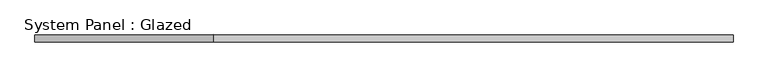
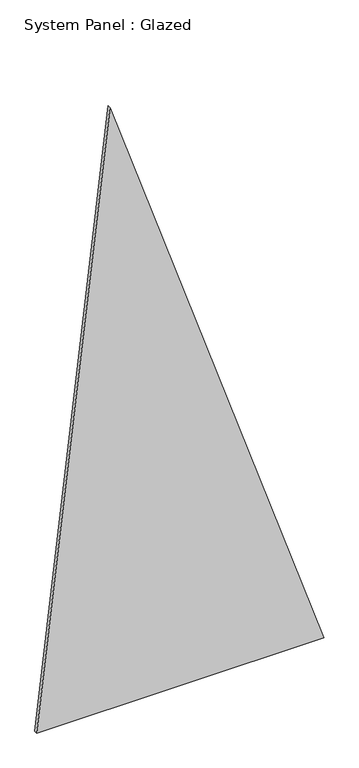
"""IFC4 building model written with IfcOpenShell, lengths in millimetres: plate geometry, System Panel : Glazed."""

import ifcopenshell
import ifcopenshell.guid

model = None  # the IFC model being written
_history = None  # IfcOwnerHistory: only IFC2X3 demands one
_inside = {}  # id of a spatial element -> (the spatial element, [elements in it])
_under = {}  # id of a project, library or spatial element -> (it, [spatial elements below it])
_declared = {}  # id of a project -> (the project, [libraries it declares])
_typed = {}  # id of a type object -> (the type object, [elements of that type])
_made_of = {}  # id of a material, layer set ... -> (it, [elements and type objects made of it])


def new_model(schema):
    """Start an empty IFC model of exactly this schema.

    Asked for "IFC4X3", IfcOpenShell would pick the latest addendum, in which some entities
    have other attributes; the version numbers below select the first issue.
    IFC2X3 requires an IfcOwnerHistory on every rooted entity: one is made here for all.
    """
    global model, _history
    if schema == "IFC4X3":
        model = ifcopenshell.file(schema_version=(4, 3, 0, 0))
    else:
        model = ifcopenshell.file(schema=schema)
    _inside.clear()
    _under.clear()
    _declared.clear()
    _typed.clear()
    _made_of.clear()
    _history = None
    if model.schema == "IFC2X3":
        org = make("IfcOrganization", Name="unknown")
        user = make(
            "IfcPersonAndOrganization",
            ThePerson=make("IfcPerson", FamilyName="unknown"),
            TheOrganization=org,
        )
        app = make(
            "IfcApplication",
            ApplicationDeveloper=org,
            Version="unknown",
            ApplicationFullName="unknown",
            ApplicationIdentifier="unknown",
        )
        _history = make(
            "IfcOwnerHistory",
            OwningUser=user,
            OwningApplication=app,
            ChangeAction="ADDED",
            CreationDate=0,
        )
    return model


def make(cls, **values):
    """One entity of the class cls with the attributes given. An attribute that is None is left unset."""
    return model.create_entity(
        cls, **{name: value for name, value in values.items() if value is not None}
    )


def rooted(cls, **values):
    """An entity with a GlobalId (a new one), such as an element, a storey or a relation."""
    return make(cls, GlobalId=ifcopenshell.guid.new(), OwnerHistory=_history, **values)


def si_unit(unit_type, name, prefix=None):
    """IfcSIUnit, for example si_unit("LENGTHUNIT", "METRE", prefix="MILLI")."""
    return make("IfcSIUnit", UnitType=unit_type, Prefix=prefix, Name=name)


def assignment(units):
    """IfcUnitAssignment: the units of a project."""
    return None if units is None else make("IfcUnitAssignment", Units=units)


def point(xyz):
    """IfcCartesianPoint."""
    return None if xyz is None else make("IfcCartesianPoint", Coordinates=xyz)


def direction(xyz):
    """IfcDirection."""
    return None if xyz is None else make("IfcDirection", DirectionRatios=xyz)


def frame(location, z_axis=None, x_axis=None):
    """IfcAxis2Placement3D, a coordinate frame: its origin and axes. An axis left out is left unset."""
    return make(
        "IfcAxis2Placement3D",
        Location=point(location),
        Axis=direction(z_axis),
        RefDirection=direction(x_axis),
    )


def origin():
    """The frame at (0, 0, 0) with its axes left unset."""
    return frame((0.0, 0.0, 0.0))


def place(relative_to, where):
    """IfcLocalPlacement: puts the frame where relative to a parent placement (None: the world)."""
    return make(
        "IfcLocalPlacement", PlacementRelTo=relative_to, RelativePlacement=where
    )


def context(
    kind, dimensions, precision=None, world=None, true_north=None, identifier=None
):
    """IfcGeometricRepresentationContext, for example the 3D "Model" context."""
    return make(
        "IfcGeometricRepresentationContext",
        ContextIdentifier=identifier,
        ContextType=kind,
        CoordinateSpaceDimension=dimensions,
        Precision=precision,
        WorldCoordinateSystem=world,
        TrueNorth=true_north,
    )


def project(units=None, contexts=None):
    """IfcProject with its units and contexts."""
    return rooted(
        "IfcProject",
        Name="project",
        RepresentationContexts=contexts,
        UnitsInContext=assignment(units),
    )


def spatial(cls, under=None, at=None, **own):
    """A site, building, storey or space (cls), placed at a placement, below another one or the project."""
    s = rooted(cls, ObjectPlacement=at, **own)
    if under is not None:
        _under.setdefault(under.id(), (under, []))[1].append(s)
    return s


def polyline(points):
    """IfcPolyline through the points."""
    return make("IfcPolyline", Points=[point(p) for p in points])


def outline(outer, holes=None, kind="AREA"):
    """IfcArbitraryClosedProfileDef: a profile drawn as a closed curve; with holes, ...WithVoids."""
    if holes is None:
        return make("IfcArbitraryClosedProfileDef", ProfileType=kind, OuterCurve=outer)
    return make(
        "IfcArbitraryProfileDefWithVoids",
        ProfileType=kind,
        OuterCurve=outer,
        InnerCurves=holes,
    )


def extrude(swept, where, along, depth):
    """IfcExtrudedAreaSolid: the profile swept, set in the frame where, extruded along a direction by depth."""
    return make(
        "IfcExtrudedAreaSolid",
        SweptArea=swept,
        Position=where,
        ExtrudedDirection=direction(along),
        Depth=depth,
    )


def shape(context_of_items, identifier, shape_type, items):
    """IfcShapeRepresentation: the items that make up one representation, for example the "Body"."""
    return make(
        "IfcShapeRepresentation",
        ContextOfItems=context_of_items,
        RepresentationIdentifier=identifier,
        RepresentationType=shape_type,
        Items=items,
    )


def source(mapping_origin, context_of_items, identifier, shape_type, items):
    """IfcRepresentationMap: a shape defined once, which mapped items show again and again."""
    return make(
        "IfcRepresentationMap",
        MappingOrigin=mapping_origin,
        MappedRepresentation=shape(context_of_items, identifier, shape_type, items),
    )


def transform(
    local_origin,
    x_axis=None,
    y_axis=None,
    z_axis=None,
    scale=None,
    scale2=None,
    scale3=None,
    uniform=True,
):
    """IfcCartesianTransformationOperator3D, or its non-uniform kind. x_axis, y_axis, z_axis: its Axis1, 2, 3."""
    if uniform:
        return make(
            "IfcCartesianTransformationOperator3D",
            Axis1=direction(x_axis),
            Axis2=direction(y_axis),
            LocalOrigin=point(local_origin),
            Scale=scale,
            Axis3=direction(z_axis),
        )
    return make(
        "IfcCartesianTransformationOperator3DnonUniform",
        Axis1=direction(x_axis),
        Axis2=direction(y_axis),
        LocalOrigin=point(local_origin),
        Scale=scale,
        Axis3=direction(z_axis),
        Scale2=scale2,
        Scale3=scale3,
    )


def mapped(mapping_source, mapping_target):
    """IfcMappedItem: shows the shape of a source again, moved by a transform."""
    return make(
        "IfcMappedItem", MappingSource=mapping_source, MappingTarget=mapping_target
    )


def made_of(thing, what):
    """Note that an element or type object is made of a material, layer set ...; save() writes the relation."""
    if what is not None:
        _made_of.setdefault(what.id(), (what, []))[1].append(thing)
    return thing


def element(
    cls,
    number,
    at=None,
    inside=None,
    cuts=None,
    type_object=None,
    material=None,
    context=None,
    identifier="Body",
    shape_type=None,
    held_by="IfcProductDefinitionShape",
    body=None,
    shapes=None,
    **own,
):
    """One element of the class cls, such as IfcWall. Its Tag is "e" and its number.

    at: its placement. inside: the storey or other place that contains it. cuts: it is an
    opening in that element (IfcRelVoidsElement). A single representation is given by context,
    identifier, shape_type and body (its items); several are given by shapes. held_by: the class
    of the entity that holds the representations. save() writes the other relations.
    """
    e = rooted(cls, Tag="e%d" % number, ObjectPlacement=at, **own)
    if body is not None:
        shapes = [shape(context, identifier, shape_type, body)]
    if shapes is not None:
        e.Representation = make(held_by, Representations=shapes)
    if inside is not None:
        _inside.setdefault(inside.id(), (inside, []))[1].append(e)
    if cuts is not None:
        rooted(
            "IfcRelVoidsElement", RelatingBuildingElement=cuts, RelatedOpeningElement=e
        )
    if type_object is not None:
        _typed.setdefault(type_object.id(), (type_object, []))[1].append(e)
    return made_of(e, material)


def aggregate(whole, parts):
    """IfcRelAggregates: a whole, such as a stair, and the parts it consists of."""
    return rooted("IfcRelAggregates", RelatingObject=whole, RelatedObjects=parts)


def save(model, path):
    """Write the relations noted so far, then the file.

    IfcRelAggregates (storeys below a building ...), IfcRelContainedInSpatialStructure (elements
    in a storey), IfcRelDefinesByType, IfcRelAssociatesMaterial and IfcRelDeclares: one each for
    every whole, place, type object, material and project.
    """
    for whole, parts in _under.values():
        aggregate(whole, parts)
    for where, things in _inside.values():
        rooted(
            "IfcRelContainedInSpatialStructure",
            RelatedElements=things,
            RelatingStructure=where,
        )
    for kind, things in _typed.values():
        rooted("IfcRelDefinesByType", RelatedObjects=things, RelatingType=kind)
    for what, things in _made_of.values():
        rooted("IfcRelAssociatesMaterial", RelatedObjects=things, RelatingMaterial=what)
    for by, libraries in _declared.values():
        rooted("IfcRelDeclares", RelatingContext=by, RelatedDefinitions=libraries)
    model.write(path)


def system_panel_glazed_3e6ffd46(model_context):
    return source(origin(), model_context, "Body", "SweptSolid", [
        extrude(outline(polyline([(0.0, -1725.6611232), (0.0, 1725.6611232), (7619.9230298, -844.8798699), (0.0, -1725.6611232)])), frame((0.0, -18.0, 0.0), z_axis=(0.0, 1.0, 0.0), x_axis=(0.0, 0.0, 1.0)), (0.0, 0.0, 1.0), 36.0),
    ])


if __name__ == "__main__":
    model = new_model("IFC4")
    model_context = context("Model", 3, world=origin())
    ifc_project = project(units=[si_unit("LENGTHUNIT", "METRE", prefix="MILLI")], contexts=[model_context])
    site = spatial("IfcSite", under=ifc_project)
    building = spatial("IfcBuilding", under=site)
    placement = place(None, origin())
    system_panel_glazed_shape = system_panel_glazed_3e6ffd46(model_context)
    element("IfcPlate", 1, ObjectType="System Panel : Glazed", at=placement, inside=building, context=model_context, shape_type="MappedRepresentation", body=[
        mapped(system_panel_glazed_shape, transform((0.0, 0.0, 0.0), x_axis=(1.0, 0.0, 0.0), y_axis=(0.0, 1.0, 0.0), z_axis=(0.0, 0.0, 1.0))),
    ])
    save(model, "model.ifc")
